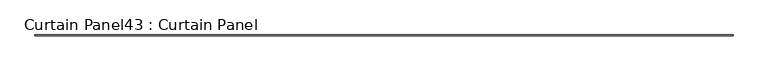
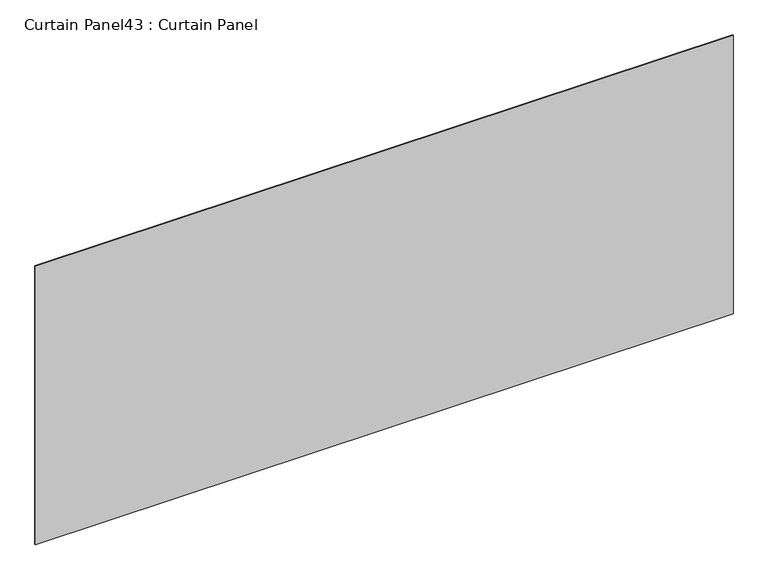
"""IFC4 building model written with IfcOpenShell, lengths in millimetres: plate geometry, Curtain Panel43 : Curtain Panel."""

from ifc_helpers import new_model, si_unit, frame, origin, place, context, project, spatial, polyline, outline, extrude, source, transform, mapped, element, save


def curtain_panel43_curtain_panel_acc56d2b(model_context):
    return source(origin(), model_context, "Body", "SweptSolid", [
        extrude(outline(polyline([(21351.7304088, 1721.1260947), (16627.3304088, 1721.1260947), (16627.3304088, 1727.2904716), (21351.7304088, 1727.2904716), (21351.7304088, 1721.1260947)])), frame((0.0, 0.0, 7963.4137357), z_axis=(0.0, 0.0, 1.0), x_axis=(1.0, 0.0, 0.0)), (0.0, 0.0, 1.0), 1991.9945994),
    ])


if __name__ == "__main__":
    model = new_model("IFC4")
    model_context = context("Model", 3, world=origin())
    ifc_project = project(units=[si_unit("LENGTHUNIT", "METRE", prefix="MILLI")], contexts=[model_context])
    site = spatial("IfcSite", under=ifc_project)
    building = spatial("IfcBuilding", under=site)
    placement = place(None, origin())
    curtain_panel43_curtain_panel_shape = curtain_panel43_curtain_panel_acc56d2b(model_context)
    element("IfcPlate", 1, ObjectType="Curtain Panel43 : Curtain Panel", at=placement, inside=building, context=model_context, shape_type="MappedRepresentation", body=[
        mapped(curtain_panel43_curtain_panel_shape, transform((0.0, 0.0, 0.0), x_axis=(1.0, 0.0, 0.0), y_axis=(0.0, 1.0, 0.0), z_axis=(0.0, 0.0, 1.0))),
    ])
    save(model, "model.ifc")
